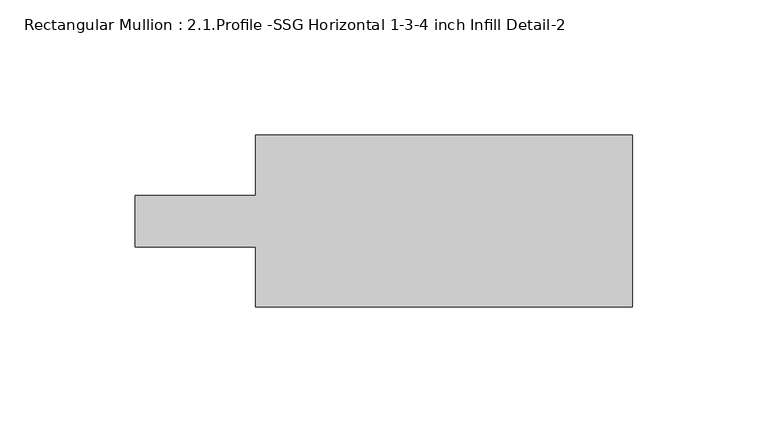
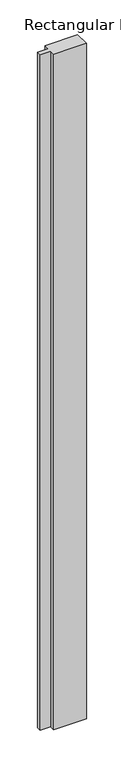
"""IFC4 building model written with IfcOpenShell, lengths in millimetres: member geometry, Rectangular Mullion : 2.1.Profile -SSG Horizontal 1-3-4 inch Infill Detail-2."""

from ifc_helpers import new_model, si_unit, frame, origin, place, context, project, spatial, polyline, outline, extrude, source, transform, mapped, element, save


def rectangular_mullion_2_1_profile_ssg_horizontal_1_3_4_inch_6bc90219(model_context):
    return source(origin(), model_context, "Body", "SweptSolid", [
        extrude(outline(polyline([(-139.192, -31.75), (-139.192, -9.5251132), (-183.642, -9.5251132), (-183.642, 9.5251132), (-139.192, 9.5251132), (-139.192, 31.75), (0.0, 31.75), (0.0, -31.75), (-139.192, -31.75)])), frame((0.0, 0.0, -3048.0), z_axis=(0.0, 0.0, 1.0), x_axis=(1.0, 0.0, 0.0)), (0.0, 0.0, 1.0), 3048.0),
    ])


if __name__ == "__main__":
    model = new_model("IFC4")
    model_context = context("Model", 3, world=origin())
    ifc_project = project(units=[si_unit("LENGTHUNIT", "METRE", prefix="MILLI")], contexts=[model_context])
    site = spatial("IfcSite", under=ifc_project)
    building = spatial("IfcBuilding", under=site)
    placement = place(None, origin())
    rectangular_mullion_2_1_profile_ssg_horizontal_1_3_4_inch_shape = rectangular_mullion_2_1_profile_ssg_horizontal_1_3_4_inch_6bc90219(model_context)
    element("IfcMember", 1, ObjectType="Rectangular Mullion : 2.1.Profile -SSG Horizontal 1-3-4 inch Infill Detail-2", at=placement, inside=building, context=model_context, shape_type="MappedRepresentation", body=[
        mapped(rectangular_mullion_2_1_profile_ssg_horizontal_1_3_4_inch_shape, transform((0.0, 0.0, 0.0), x_axis=(1.0, 0.0, 0.0), y_axis=(0.0, 1.0, 0.0), z_axis=(0.0, 0.0, 1.0))),
    ])
    save(model, "model.ifc")
